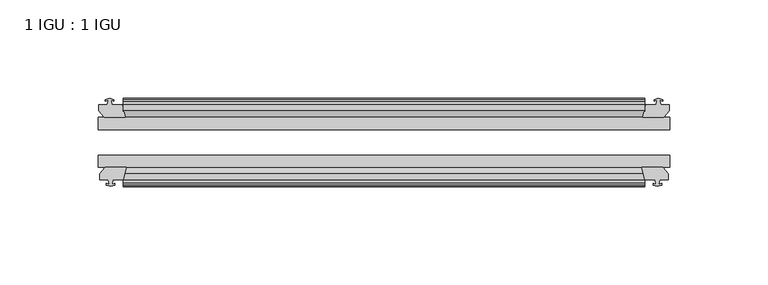
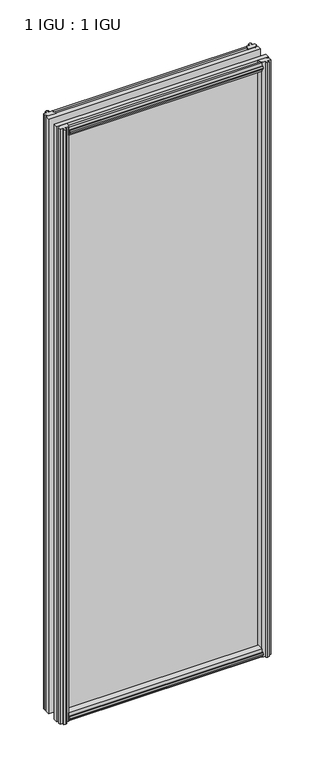
"""IFC4 building model written with IfcOpenShell, lengths in millimetres: plate geometry, 1 IGU : 1 IGU."""

from ifc_helpers import new_model, si_unit, frame, origin, place, context, project, spatial, polyline, outline, extrude, source, transform, mapped, element, save


def plate_1_igu_1_igu_53b29747(model_context):
    return source(origin(), model_context, "Body", "SweptSolid", [
        extrude(outline(polyline([(-25.8960937, 1.1970181), (-19.5460937, -0.5207), (-19.5460937, -5.7277), (-17.1658968, -6.1087), (-17.62583, -4.6931709), (-16.8246158, -4.6931709), (-16.1170937, -6.8707), (-16.8246158, -9.0482291), (-17.62583, -9.0482291), (-17.1658968, -7.6327), (-19.5460937, -8.0137), (-19.5460937, -12.4587), (-22.4924937, -12.4587), (-25.8960937, -9.6243578), (-25.8960937, 1.1970181)])), frame((-132.8801763, 0.0, 0.0), z_axis=(1.0, 0.0, 0.0), x_axis=(0.0, 1.0, 0.0)), (0.0, 0.0, 1.0), 265.7603526),
        extrude(outline(polyline([(-51.2960937, 1.7177181), (-51.2960937, -9.1036578), (-54.6996937, -11.938), (-57.6460937, -11.938), (-57.6460937, -7.493), (-60.0262907, -7.112), (-59.5663575, -8.5275291), (-60.3675717, -8.5275291), (-61.0750937, -6.35), (-60.3675717, -4.1724709), (-59.5663575, -4.1724709), (-60.0262907, -5.588), (-57.6460937, -5.207), (-57.6460937, 0.0), (-51.2960937, 1.7177181)])), frame((-132.8801763, 0.0, 0.0), z_axis=(1.0, 0.0, 0.0), x_axis=(0.0, 1.0, 0.0)), (0.0, 0.0, 1.0), 265.7603526),
        extrude(outline(polyline([(-57.6460937, 850.138), (-54.6996937, 850.138), (-51.2960937, 847.3036578), (-51.2960937, 836.4822819), (-57.6460937, 838.2), (-57.6460937, 843.407), (-60.0262907, 843.788), (-59.5663575, 842.3724709), (-60.3675717, 842.3724709), (-61.0750937, 844.55), (-60.3675717, 846.727529), (-59.5663575, 846.727529), (-60.0262907, 845.312), (-57.6460937, 845.693), (-57.6460937, 850.138)])), frame((-132.8801763, 0.0, 0.0), z_axis=(1.0, 0.0, 0.0), x_axis=(0.0, 1.0, 0.0)), (0.0, 0.0, 1.0), 265.7603526),
        extrude(outline(polyline([(-19.5460937, 850.6587), (-19.5460937, 846.2137), (-17.1658968, 845.8327), (-17.62583, 847.248229), (-16.8246158, 847.248229), (-16.1170937, 845.0707), (-16.8246158, 842.8931709), (-17.62583, 842.8931709), (-17.1658968, 844.3087), (-19.5460937, 843.9277), (-19.5460937, 838.7207), (-25.8960937, 837.0029819), (-25.8960937, 847.8243578), (-22.4924937, 850.6587), (-19.5460937, 850.6587)])), frame((-132.8801763, 0.0, 0.0), z_axis=(1.0, 0.0, 0.0), x_axis=(0.0, 1.0, 0.0)), (0.0, 0.0, 1.0), 265.7603526),
        extrude(outline(polyline([(-139.7508763, -16.1170937), (-137.5733472, -16.8246158), (-137.5733472, -17.62583), (-138.9888763, -17.1658968), (-138.6078763, -19.5460937), (-133.4008763, -19.5460937), (-131.6831582, -25.8960937), (-142.5045341, -25.8960937), (-145.3388763, -22.4924937), (-145.3388763, -19.5460937), (-140.8938763, -19.5460937), (-140.5128763, -17.1658968), (-141.9284053, -17.62583), (-141.9284053, -16.8246158), (-139.7508763, -16.1170937)])), frame((0.0, 0.0, -12.7), z_axis=(0.0, 0.0, 1.0), x_axis=(1.0, 0.0, 0.0)), (0.0, 0.0, 1.0), 863.6),
        extrude(outline(polyline([(-139.2301763, -61.0750938), (-141.4077053, -60.3675717), (-141.4077053, -59.5663575), (-139.9921763, -60.0262907), (-140.3731763, -57.6460938), (-144.8181763, -57.6460938), (-144.8181763, -54.6996938), (-141.9838341, -51.2960937), (-131.1624582, -51.2960937), (-132.8801763, -57.6460938), (-138.0871763, -57.6460938), (-138.4681763, -60.0262907), (-137.0526472, -59.5663575), (-137.0526472, -60.3675717), (-139.2301763, -61.0750938)])), frame((0.0, 0.0, -12.7), z_axis=(0.0, 0.0, 1.0), x_axis=(1.0, 0.0, 0.0)), (0.0, 0.0, 1.0), 863.6),
        extrude(outline(polyline([(138.6078763, -19.5460937), (138.9888763, -17.1658968), (137.5733472, -17.62583), (137.5733472, -16.8246158), (139.7508763, -16.1170937), (141.9284053, -16.8246158), (141.9284053, -17.62583), (140.5128763, -17.1658968), (140.8938763, -19.5460937), (145.3388763, -19.5460937), (145.3388763, -22.4924937), (142.5045341, -25.8960937), (131.6831582, -25.8960937), (133.4008763, -19.5460937), (138.6078763, -19.5460937)])), frame((0.0, 0.0, -12.7), z_axis=(0.0, 0.0, 1.0), x_axis=(1.0, 0.0, 0.0)), (0.0, 0.0, 1.0), 863.6),
        extrude(outline(polyline([(141.9838341, -51.2960937), (144.8181763, -54.6996937), (144.8181763, -57.6460937), (140.3731763, -57.6460937), (139.9921763, -60.0262907), (141.4077053, -59.5663575), (141.4077053, -60.3675717), (139.2301763, -61.0750937), (137.0526472, -60.3675717), (137.0526472, -59.5663575), (138.4681763, -60.0262907), (138.0871763, -57.6460937), (132.8801763, -57.6460937), (131.1624582, -51.2960937), (141.9838341, -51.2960937)])), frame((0.0, 0.0, -12.7), z_axis=(0.0, 0.0, 1.0), x_axis=(1.0, 0.0, 0.0)), (0.0, 0.0, 1.0), 863.6),
        extrude(outline(polyline([(-145.5801763, -25.8960937), (145.5801763, -25.8960937), (145.5801763, -32.2460937), (-145.5801763, -32.2460937), (-145.5801763, -25.8960937)])), frame((0.0, 0.0, -12.7), z_axis=(0.0, 0.0, 1.0), x_axis=(1.0, 0.0, 0.0)), (0.0, 0.0, 1.0), 863.6),
        extrude(outline(polyline([(145.5801763, -45.2686737), (145.5801763, -51.2960937), (-145.5801763, -51.2960937), (-145.5801763, -45.2686737), (145.5801763, -45.2686737)])), frame((0.0, 0.0, -12.7), z_axis=(0.0, 0.0, 1.0), x_axis=(1.0, 0.0, 0.0)), (0.0, 0.0, 1.0), 863.6),
    ])


if __name__ == "__main__":
    model = new_model("IFC4")
    model_context = context("Model", 3, world=origin())
    ifc_project = project(units=[si_unit("LENGTHUNIT", "METRE", prefix="MILLI")], contexts=[model_context])
    site = spatial("IfcSite", under=ifc_project)
    building = spatial("IfcBuilding", under=site)
    placement = place(None, origin())
    plate_1_igu_1_igu_shape = plate_1_igu_1_igu_53b29747(model_context)
    element("IfcPlate", 1, ObjectType="1 IGU : 1 IGU", at=placement, inside=building, context=model_context, shape_type="MappedRepresentation", body=[
        mapped(plate_1_igu_1_igu_shape, transform((0.0, 0.0, 0.0), x_axis=(1.0, 0.0, 0.0), y_axis=(0.0, 1.0, 0.0), z_axis=(0.0, 0.0, 1.0))),
    ])
    save(model, "model.ifc")
